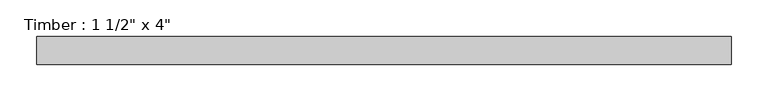
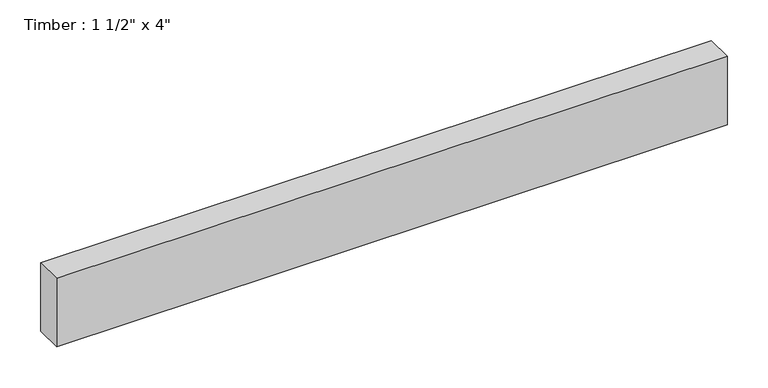
"""IFC4 building model written with IfcOpenShell, lengths in millimetres: beam geometry."""

from ifc_helpers import new_model, si_unit, frame, origin, place, context, project, spatial, polyline, outline, extrude, source, transform, mapped, element, save


def beam_419483a6(model_context):
    return source(origin(), model_context, "Body", "SweptSolid", [
        extrude(outline(polyline([(472.6266849, -19.05), (-472.6266849, -19.05), (-472.6266849, 19.05), (472.6266849, 19.05), (472.6266849, -19.05)])), frame((0.0, 0.0, -50.8), z_axis=(0.0, 0.0, 1.0), x_axis=(1.0, 0.0, 0.0)), (0.0, 0.0, 1.0), 101.6),
    ])


if __name__ == "__main__":
    model = new_model("IFC4")
    model_context = context("Model", 3, world=origin())
    ifc_project = project(units=[si_unit("LENGTHUNIT", "METRE", prefix="MILLI")], contexts=[model_context])
    site = spatial("IfcSite", under=ifc_project)
    building = spatial("IfcBuilding", under=site)
    placement = place(None, origin())
    beam_shape = beam_419483a6(model_context)
    element("IfcBeam", 1, ObjectType="Timber : 1 1/2\" x 4\"", at=placement, inside=building, context=model_context, shape_type="MappedRepresentation", body=[
        mapped(beam_shape, transform((0.0, 0.0, 0.0), x_axis=(1.0, 0.0, 0.0), y_axis=(0.0, 1.0, 0.0), z_axis=(0.0, 0.0, 1.0))),
    ])
    save(model, "model.ifc")
